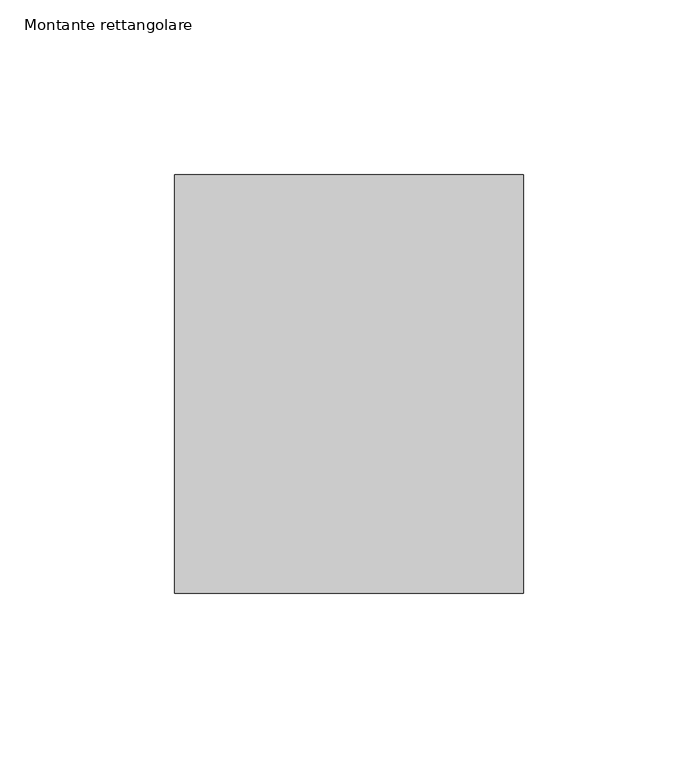
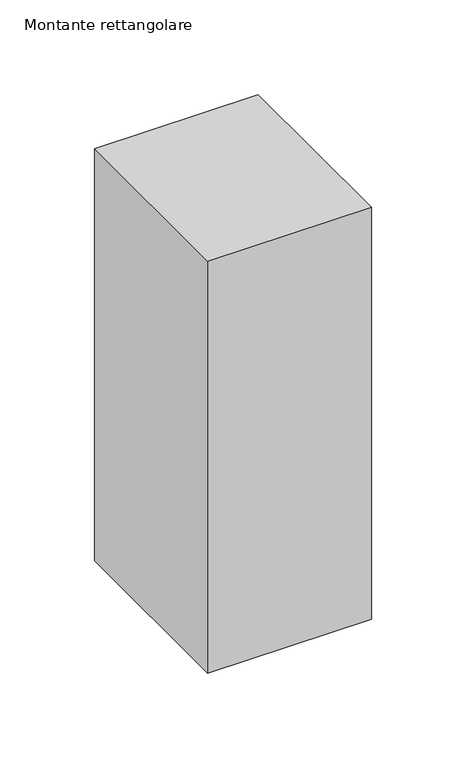
"""IFC4 building model written with IfcOpenShell, lengths in millimetres: member geometry, Montante rettangolare."""

from ifc_helpers import new_model, si_unit, frame, origin, place, context, project, spatial, polyline, outline, extrude, source, transform, mapped, element, save


def montante_rettangolare_222170cc(model_context):
    return source(origin(), model_context, "Body", "SweptSolid", [
        extrude(outline(polyline([(50.0, 60.0), (50.0, -60.0), (-50.0, -60.0), (-50.0, 60.0), (50.0, 60.0)])), frame((0.0, 0.0, -266.1261147), z_axis=(0.0, 0.0, 1.0), x_axis=(1.0, 0.0, 0.0)), (0.0, 0.0, 1.0), 266.1261147),
    ])


if __name__ == "__main__":
    model = new_model("IFC4")
    model_context = context("Model", 3, world=origin())
    ifc_project = project(units=[si_unit("LENGTHUNIT", "METRE", prefix="MILLI")], contexts=[model_context])
    site = spatial("IfcSite", under=ifc_project)
    building = spatial("IfcBuilding", under=site)
    placement = place(None, origin())
    montante_rettangolare_shape = montante_rettangolare_222170cc(model_context)
    element("IfcMember", 1, ObjectType="Montante rettangolare", at=placement, inside=building, context=model_context, shape_type="MappedRepresentation", body=[
        mapped(montante_rettangolare_shape, transform((0.0, 0.0, 0.0), x_axis=(1.0, 0.0, 0.0), y_axis=(0.0, 1.0, 0.0), z_axis=(0.0, 0.0, 1.0))),
    ])
    save(model, "model.ifc")
